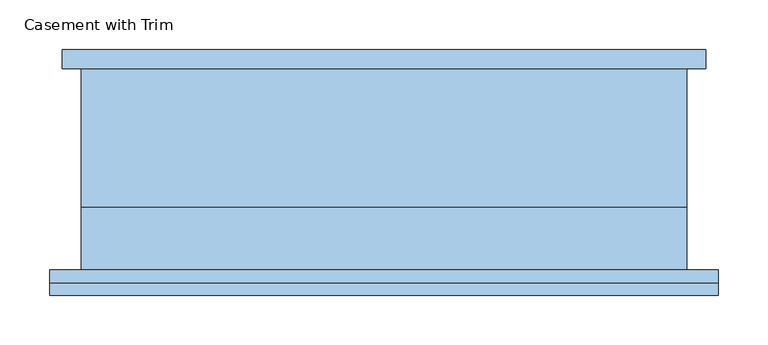
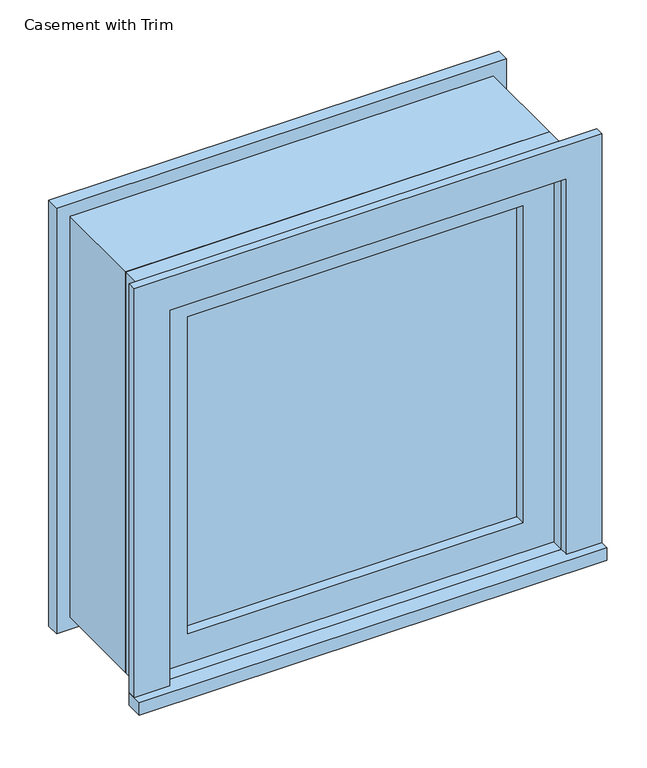
"""IFC4 building model written with IfcOpenShell, lengths in millimetres: window geometry, Casement with Trim."""

from ifc_helpers import new_model, si_unit, frame, origin, place, context, project, spatial, polyline, outline, extrude, source, transform, mapped, element, save


def casement_with_trim_fcd5a920(model_context):
    return source(origin(), model_context, "Body", "SweptSolid", [
        extrude(outline(polyline([(-336.55, -127.0), (-336.55, -101.6), (336.55, -101.6), (336.55, -127.0), (-336.55, -127.0)])), frame((0.0, 0.0, 914.4), z_axis=(0.0, 0.0, 1.0), x_axis=(1.0, 0.0, 0.0)), (0.0, 0.0, 1.0), 19.05),
        extrude(outline(polyline([(1504.95, -285.75), (1504.95, 285.75), (933.45, 285.75), (933.45, 336.55), (1555.75, 336.55), (1555.75, -336.55), (933.45, -336.55), (933.45, -285.75), (1504.95, -285.75)])), frame((0.0, -114.3, 0.0), z_axis=(0.0, 1.0, 0.0), x_axis=(0.0, 0.0, 1.0)), (0.0, 0.0, 1.0), 12.7),
        extrude(outline(polyline([(1543.05, 323.85), (1543.05, -323.85), (895.35, -323.85), (895.35, 323.85), (1543.05, 323.85)]), holes=[polyline([(1492.25, 273.05), (946.15, 273.05), (946.15, -273.05), (1492.25, -273.05), (1492.25, 273.05)])]), frame((0.0, 101.6, 0.0), z_axis=(0.0, 1.0, 0.0), x_axis=(0.0, 0.0, 1.0)), (0.0, 0.0, 1.0), 19.05),
        extrude(outline(polyline([(241.3, -53.975), (241.3, -66.675), (-241.3, -66.675), (-241.3, -53.975), (241.3, -53.975)])), frame((0.0, 0.0, 977.9), z_axis=(0.0, 0.0, 1.0), x_axis=(1.0, 0.0, 0.0)), (0.0, 0.0, 1.0), 482.6),
        extrude(outline(polyline([(1504.95, -285.75), (933.45, -285.75), (933.45, 285.75), (1504.95, 285.75), (1504.95, -285.75)]), holes=[polyline([(1460.5, -241.3), (1460.5, 241.3), (977.9, 241.3), (977.9, -241.3), (1460.5, -241.3)])]), frame((0.0, -82.55, 0.0), z_axis=(0.0, 1.0, 0.0), x_axis=(0.0, 0.0, 1.0)), (0.0, 0.0, 1.0), 44.45),
        extrude(outline(polyline([(1524.0, -304.8), (914.4, -304.8), (914.4, 304.8), (1524.0, 304.8), (1524.0, -304.8)]), holes=[polyline([(1492.25, -273.05), (1492.25, 273.05), (946.15, 273.05), (946.15, -273.05), (1492.25, -273.05)])]), frame((0.0, -38.1, 0.0), z_axis=(0.0, 1.0, 0.0), x_axis=(0.0, 0.0, 1.0)), (0.0, 0.0, 1.0), 139.7),
        extrude(outline(polyline([(1524.0, 304.8), (1524.0, -304.8), (914.4, -304.8), (914.4, 304.8), (1524.0, 304.8)]), holes=[polyline([(1504.95, 285.75), (933.45, 285.75), (933.45, -285.75), (1504.95, -285.75), (1504.95, 285.75)])]), frame((0.0, -101.6, 0.0), z_axis=(0.0, 1.0, 0.0), x_axis=(0.0, 0.0, 1.0)), (0.0, 0.0, 1.0), 63.5),
    ])


if __name__ == "__main__":
    model = new_model("IFC4")
    model_context = context("Model", 3, world=origin())
    ifc_project = project(units=[si_unit("LENGTHUNIT", "METRE", prefix="MILLI")], contexts=[model_context])
    site = spatial("IfcSite", under=ifc_project)
    building = spatial("IfcBuilding", under=site)
    placement = place(None, origin())
    casement_with_trim_shape = casement_with_trim_fcd5a920(model_context)
    element("IfcWindow", 1, ObjectType="Casement with Trim", at=placement, inside=building, context=model_context, shape_type="MappedRepresentation", body=[
        mapped(casement_with_trim_shape, transform((0.0, 0.0, 0.0), x_axis=(1.0, 0.0, 0.0), y_axis=(0.0, 1.0, 0.0), z_axis=(0.0, 0.0, 1.0))),
    ])
    save(model, "model.ifc")
